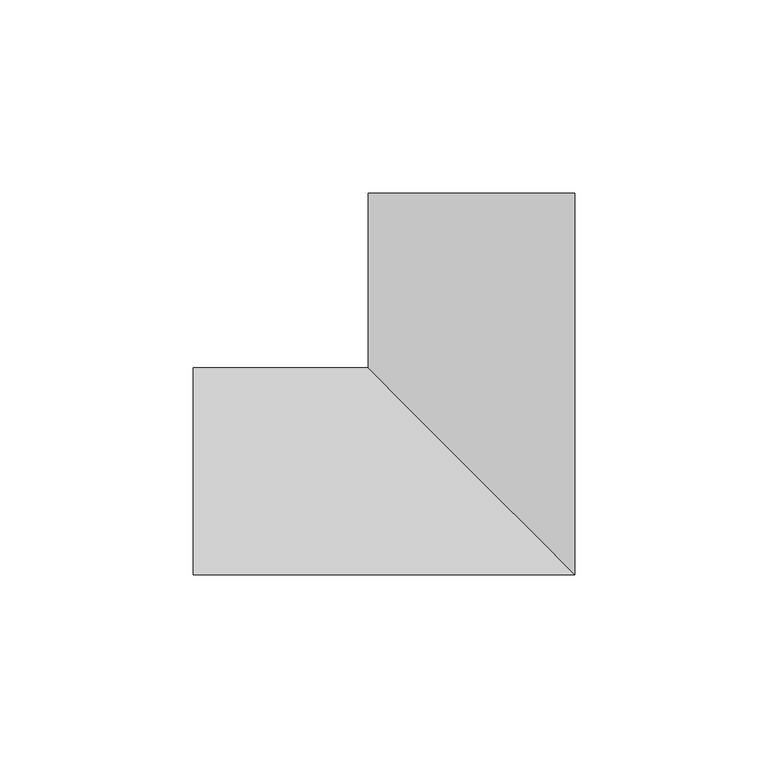
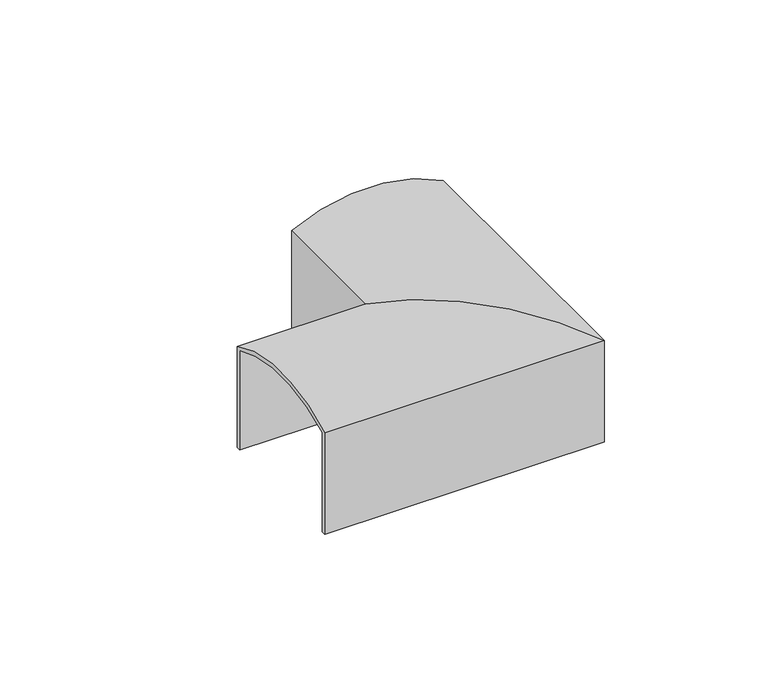
"""IFC4 building model written with IfcOpenShell, lengths in millimetres: proxy geometry."""

from ifc_helpers import new_model, si_unit, frame, origin, place, context, project, spatial, polyline, circle_curve, ellipse_curve, source, transform, mapped, element, save
from ifc_brep_helpers import plane_surface, cylinder_surface, revolved_surface, advanced_brep


def generic_models_029e0633(model_context):
    return source(origin(), model_context, "Body", "AdvancedBrep", [
        advanced_brep(
        [(-26.7441608, 71.9513646, -5.1313999), (26.7547089, 71.9513646, -5.1421029), (26.7547089, 71.9513646, -42.9991934), (25.2598291, 71.9513646, -42.9991934), (25.2598291, 71.9513646, -5.8678927), (-25.2598291, 71.9513646, -5.8631127), (-25.2598291, 71.9513646, -42.9991934), (-26.7441608, 71.9513646, -42.9991934), (26.7547089, -26.754154, -5.1421029), (26.7547089, -26.754154, -42.9991934), (25.2598291, -25.2592742, -42.9991934), (25.2598291, -25.2592742, -5.8678927), (-25.2598291, 25.2603841, -5.8631127), (-25.2598291, 25.2603841, -42.9991934), (-26.7441608, 26.7447157, -42.9991934), (-26.7441608, 26.7447157, -5.1313999), (-71.964886, 26.7447157, -5.1313999), (-71.964886, 26.7447157, -42.9991934), (-71.964886, 25.2603841, -42.9991934), (-71.964886, 25.2603841, -5.8631127), (-71.964886, -25.2592742, -5.8678927), (-71.964886, -25.2592742, -42.9991934), (-71.964886, -26.754154, -42.9991934), (-71.964886, -26.754154, -5.1421029)],
        [
            (0, 1, circle_curve(frame((-0.0048689, 71.9513646, -55.8364469), z_axis=(0.0, 1.0, 0.0), x_axis=(1.0, 0.0, 0.0)), 57.3235687)),
            (1, 2),
            (2, 3),
            (3, 4),
            (4, 5, circle_curve(frame((-0.0048689, 71.9513646, -57.3235684), z_axis=(0.0, -1.0, 0.0), x_axis=(1.0, 0.0, 0.0)), 57.3235687)),
            (5, 6),
            (6, 7),
            (7, 0),
            (1, 8),
            (8, 9),
            (9, 2),
            (3, 10),
            (10, 11),
            (11, 4),
            (11, 12, ellipse_curve(frame((-0.0048689, 0.0054238, -57.3235684), z_axis=(-0.7071067811865475, -0.7071067811865475, 0.0), x_axis=(0.7071067811865474, -0.7071067811865476, 0.0)), 81.0677682, 57.3235687)),
            (12, 5),
            (12, 13),
            (13, 6),
            (7, 14),
            (14, 15),
            (15, 0),
            (16, 17),
            (17, 18),
            (18, 19),
            (19, 20, circle_curve(frame((-71.964886, 0.0054238, -57.3235684), z_axis=(1.0, 0.0, 0.0), x_axis=(0.0, -1.0, 0.0)), 57.3235687)),
            (20, 21),
            (21, 22),
            (22, 23),
            (23, 16, circle_curve(frame((-71.964886, 0.0054238, -55.8364469), z_axis=(-1.0, 0.0, 0.0), x_axis=(0.0, -1.0, 0.0)), 57.3235687)),
            (8, 23),
            (22, 9),
            (10, 21),
            (20, 11),
            (19, 12),
            (18, 13),
            (14, 17),
            (16, 15),
            (15, 8, ellipse_curve(frame((-0.0048689, 0.0054238, -55.8364469), z_axis=(0.7071067811865475, 0.7071067811865475, 0.0), x_axis=(-0.7071067811865474, 0.7071067811865476, 0.0)), 81.0677682, 57.3235687)),
        ],
        [
            plane_surface(frame((0.0, 71.9513646, 0.0), z_axis=(0.0, 1.0, 0.0), x_axis=(0.0, 0.0, 1.0))),
            plane_surface(frame((26.7547089, 71.9513646, -5.1421029), z_axis=(1.0, 0.0, 0.0), x_axis=(0.0, -1.0, 0.0))),
            plane_surface(frame((25.2598291, 71.9513646, -42.9991934), z_axis=(-1.0, 0.0, 0.0), x_axis=(0.0, -1.0, 0.0))),
            revolved_surface(polyline([(57.318699800000005, -57.318144829879174, -57.3235684), (57.318699800000005, 71.9513646, -57.3235684)]), (-0.0048689, 71.9513646, -57.3235684), (0.0, -1.0, 0.0)),
            plane_surface(frame((-25.2598291, 71.9513646, -5.8631127), z_axis=(1.0, 0.0, 0.0), x_axis=(0.0, -1.0, 0.0))),
            plane_surface(frame((-26.7441608, 71.9513646, -42.9991934), z_axis=(-1.0, 0.0, 0.0), x_axis=(0.0, -1.0, 0.0))),
            plane_surface(frame((-71.964886, 0.000555, 0.0), z_axis=(-1.0, 0.0, 0.0), x_axis=(0.0, 0.0, 1.0))),
            plane_surface(frame((26.7547089, -26.754154, -5.1421029), z_axis=(0.0, -1.0, 0.0), x_axis=(-1.0, 0.0, 0.0))),
            plane_surface(frame((25.2598291, -25.2592742, -42.9991934), z_axis=(0.0, 1.0, 0.0), x_axis=(-1.0, 0.0, 0.0))),
            revolved_surface(polyline([(-71.964886, -57.3181449, -57.3235684), (57.31869972987914, -57.3181449, -57.3235684)]), (0.0, 0.0054238, -57.3235684), (-1.0, 0.0, 0.0)),
            plane_surface(frame((-25.2598291, 25.2603841, -5.8631127), z_axis=(0.0, -1.0, 0.0), x_axis=(-1.0, 0.0, 0.0))),
            plane_surface(frame((-26.7441608, 26.7447157, -42.9991934), z_axis=(0.0, 1.0, 0.0), x_axis=(-1.0, 0.0, 0.0))),
            cylinder_surface(frame((-0.0048689, 71.9513646, -55.8364469), z_axis=(0.0, 1.0, 0.0), x_axis=(1.0, 0.0, 0.0)), 57.3235687),
            plane_surface(frame((26.7547089, 71.9513646, -42.9991934), z_axis=(0.0, 0.0, -1.0), x_axis=(0.0, -1.0, 0.0))),
            plane_surface(frame((-25.2598291, 71.9513646, -42.9991934), z_axis=(0.0, 0.0, -1.0), x_axis=(0.0, -1.0, 0.0))),
            cylinder_surface(frame((0.0, 0.0054238, -55.8364469), z_axis=(1.0, 0.0, 0.0), x_axis=(0.0, -1.0, 0.0)), 57.3235687),
        ],
        [
            (0, [[1, 2, 3, 4, 5, 6, 7, 8]]),
            (1, [[-2, 9, 10, 11]]),
            (2, [[-4, 12, 13, 14]]),
            (3, [[-5, -14, 15, 16]]),
            (4, [[-6, -16, 17, 18]]),
            (5, [[-8, 19, 20, 21]]),
            (6, [[22, 23, 24, 25, 26, 27, 28, 29]]),
            (7, [[-10, 30, -28, 31]]),
            (8, [[-13, 32, -26, 33]]),
            (9, [[-15, -33, -25, 34]]),
            (10, [[-17, -34, -24, 35]]),
            (11, [[-20, 36, -22, 37]]),
            (12, [[-1, -21, 38, -9]]),
            (13, [[-3, -11, -31, -27, -32, -12]]),
            (14, [[-7, -18, -35, -23, -36, -19]]),
            (15, [[-38, -37, -29, -30]]),
        ],
    ),
    ])


if __name__ == "__main__":
    model = new_model("IFC4")
    model_context = context("Model", 3, world=origin())
    ifc_project = project(units=[si_unit("LENGTHUNIT", "METRE", prefix="MILLI")], contexts=[model_context])
    site = spatial("IfcSite", under=ifc_project)
    building = spatial("IfcBuilding", under=site)
    placement = place(None, origin())
    generic_models_shape = generic_models_029e0633(model_context)
    element("IfcBuildingElementProxy", 1, Name="Generic Models", at=placement, inside=building, context=model_context, shape_type="MappedRepresentation", body=[
        mapped(generic_models_shape, transform((0.0, 0.0, 0.0), x_axis=(1.0, 0.0, 0.0), y_axis=(0.0, 1.0, 0.0), z_axis=(0.0, 0.0, 1.0))),
    ])
    save(model, "model.ifc")
